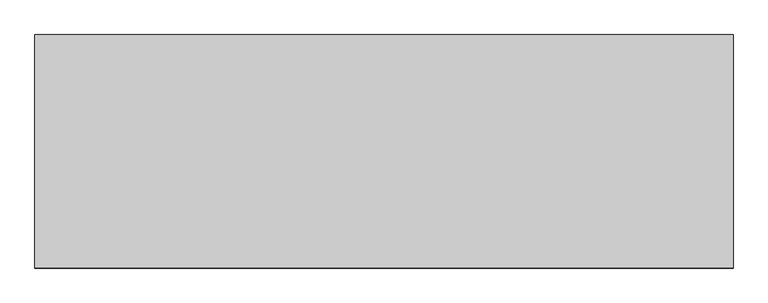
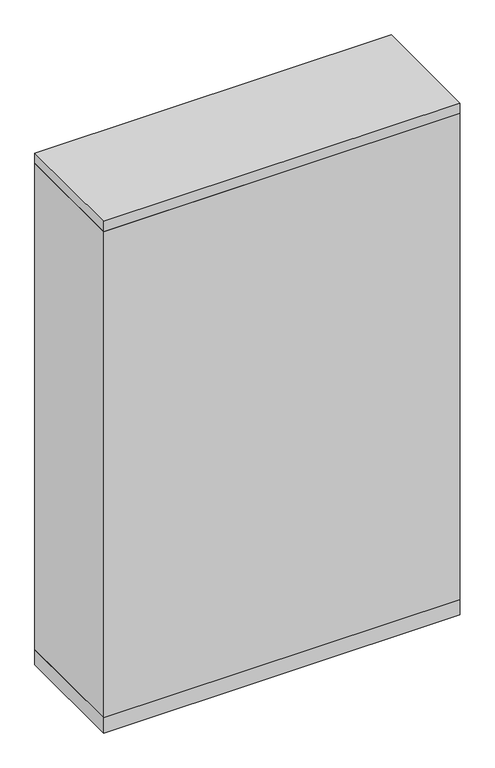
"""IFC4 building model written with IfcOpenShell, lengths in millimetres: furniture geometry."""

from ifc_helpers import new_model, si_unit, frame, origin, origin_with_axes, place, context, project, spatial, polyline, outline, extrude, source, transform, mapped, element, save


def furniture_80008f3f(model_context):
    return source(origin(), model_context, "Body", "SweptSolid", [
        extrude(outline(polyline([(512.7625, 19.05), (-512.7625, 19.05), (-512.7625, 336.55), (512.7625, 336.55), (512.7625, 19.05)])), frame((0.0, 0.0, 958.215), z_axis=(0.0, 0.0, 1.0), x_axis=(1.0, 0.0, 0.0)), (0.0, 0.0, 1.0), 19.05),
        extrude(outline(polyline([(512.7625, 19.05), (-512.7625, 19.05), (-512.7625, 336.55), (512.7625, 336.55), (512.7625, 19.05)])), frame((0.0, 0.0, 651.51), z_axis=(0.0, 0.0, 1.0), x_axis=(1.0, 0.0, 0.0)), (0.0, 0.0, 1.0), 19.05),
        extrude(outline(polyline([(512.7625, 19.05), (-512.7625, 19.05), (-512.7625, 336.55), (512.7625, 336.55), (512.7625, 19.05)])), frame((0.0, 0.0, 1264.92), z_axis=(0.0, 0.0, 1.0), x_axis=(1.0, 0.0, 0.0)), (0.0, 0.0, 1.0), 19.05),
        extrude(outline(polyline([(512.7625, 19.05), (-512.7625, 19.05), (-512.7625, 336.55), (512.7625, 336.55), (512.7625, 19.05)])), frame((0.0, 0.0, 344.805), z_axis=(0.0, 0.0, 1.0), x_axis=(1.0, 0.0, 0.0)), (0.0, 0.0, 1.0), 19.05),
        extrude(outline(polyline([(531.8125, 0.0), (-531.8125, 0.0), (-531.8125, 355.6), (531.8125, 355.6), (531.8125, 0.0)])), origin_with_axes(), (0.0, 0.0, 1.0), 47.625),
        extrude(outline(polyline([(531.8125, 0.0), (-531.8125, 0.0), (-531.8125, 355.6), (531.8125, 355.6), (531.8125, 0.0)])), frame((0.0, 0.0, 1581.15), z_axis=(0.0, 0.0, 1.0), x_axis=(1.0, 0.0, 0.0)), (0.0, 0.0, 1.0), 31.75),
        extrude(outline(polyline([(531.8125, 0.0), (-531.8125, 0.0), (-531.8125, 355.6), (-512.7625, 355.6), (-512.7625, 19.05), (512.7625, 19.05), (512.7625, 355.6), (531.8125, 355.6), (531.8125, 0.0)])), frame((0.0, 0.0, 47.625), z_axis=(0.0, 0.0, 1.0), x_axis=(1.0, 0.0, 0.0)), (0.0, 0.0, 1.0), 1533.525),
    ])


if __name__ == "__main__":
    model = new_model("IFC4")
    model_context = context("Model", 3, world=origin())
    ifc_project = project(units=[si_unit("LENGTHUNIT", "METRE", prefix="MILLI")], contexts=[model_context])
    site = spatial("IfcSite", under=ifc_project)
    building = spatial("IfcBuilding", under=site)
    placement = place(None, origin())
    furniture_shape = furniture_80008f3f(model_context)
    element("IfcFurniture", 1, at=placement, inside=building, context=model_context, shape_type="MappedRepresentation", body=[
        mapped(furniture_shape, transform((0.0, 0.0, 0.0), x_axis=(1.0, 0.0, 0.0), y_axis=(0.0, 1.0, 0.0), z_axis=(0.0, 0.0, 1.0))),
    ])
    save(model, "model.ifc")
